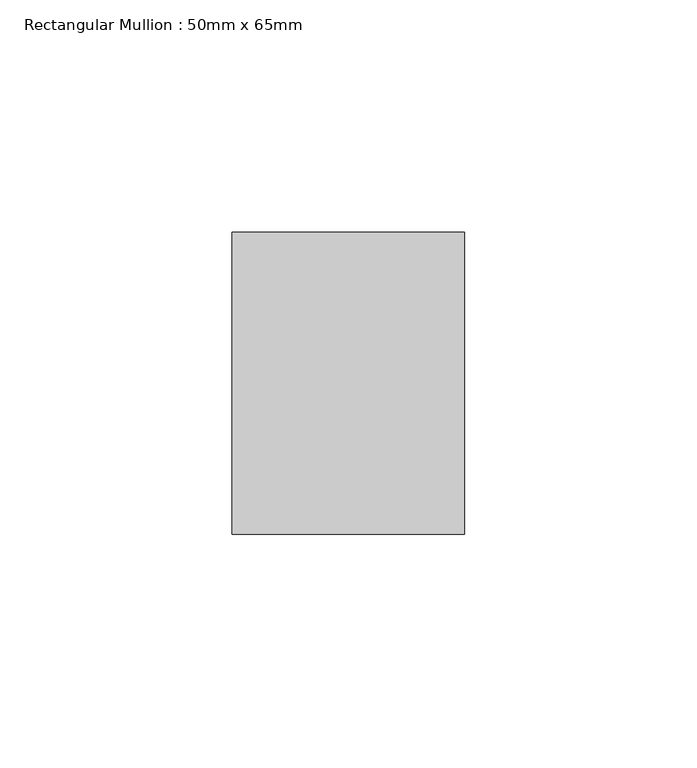
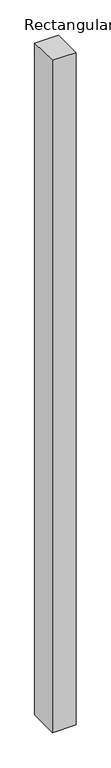
"""IFC4 building model written with IfcOpenShell, lengths in millimetres: member geometry, Rectangular Mullion : 50mm x 65mm."""

from ifc_helpers import new_model, si_unit, origin, place, context, project, spatial, faceted_brep, source, transform, mapped, element, save


def rectangular_mullion_50mm_x_65mm_10ad1920(model_context):
    return source(origin(), model_context, "Body", "Brep", [
        faceted_brep([(-25.0, 32.5, -0.4966786), (25.0, 32.5, -0.4966773), (25.0, 32.5, -1499.5927069), (-25.0, 32.5, -1499.5927058), (-25.0, -32.5, 0.4966773), (-25.0, -32.5, -1500.4073584), (25.0, -32.5, 0.4966786), (25.0, -32.5, -1500.4073595)], [[[0, 1, 2, 3]], [[4, 0, 3, 5]], [[6, 4, 5, 7]], [[1, 6, 7, 2]], [[1, 0, 4, 6]], [[2, 7, 5, 3]]]),
    ])


if __name__ == "__main__":
    model = new_model("IFC4")
    model_context = context("Model", 3, world=origin())
    ifc_project = project(units=[si_unit("LENGTHUNIT", "METRE", prefix="MILLI")], contexts=[model_context])
    site = spatial("IfcSite", under=ifc_project)
    building = spatial("IfcBuilding", under=site)
    placement = place(None, origin())
    rectangular_mullion_50mm_x_65mm_shape = rectangular_mullion_50mm_x_65mm_10ad1920(model_context)
    element("IfcMember", 1, ObjectType="Rectangular Mullion : 50mm x 65mm", at=placement, inside=building, context=model_context, shape_type="MappedRepresentation", body=[
        mapped(rectangular_mullion_50mm_x_65mm_shape, transform((0.0, 0.0, 0.0), x_axis=(1.0, 0.0, 0.0), y_axis=(0.0, 1.0, 0.0), z_axis=(0.0, 0.0, 1.0))),
    ])
    save(model, "model.ifc")
